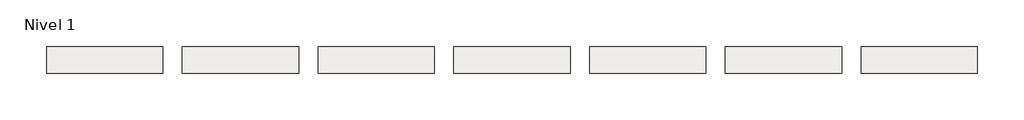
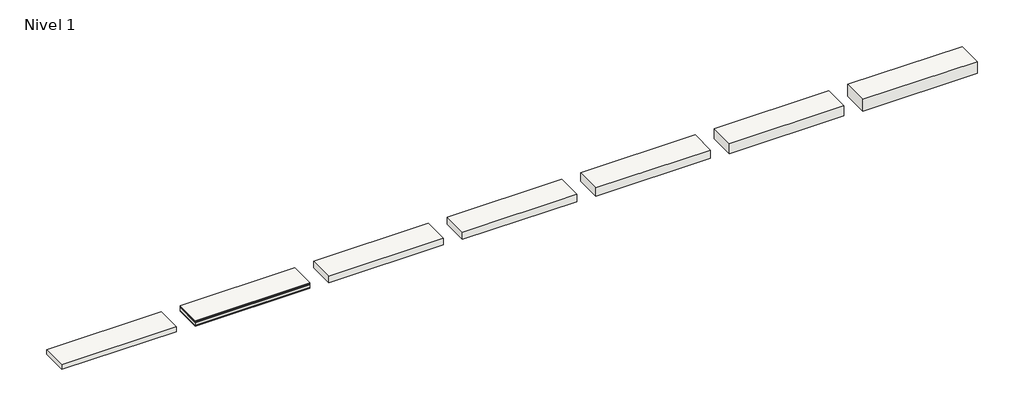
# One storey: 7 slabs.
"""IFC4 building model written with IfcOpenShell, lengths in millimetres."""

from ifc_helpers import new_model, si_unit, frame, origin, place, context, project, spatial, polyline, outline, extrude, element, save

model = new_model("IFC4")

# Units and contexts
model_context = context("Model", 3, world=origin())
ifc_project = project(units=[si_unit("LENGTHUNIT", "METRE", prefix="MILLI")], contexts=[model_context])

# Site, building, storey
site = spatial("IfcSite", under=ifc_project)
building = spatial("IfcBuilding", under=site)
storey = spatial("IfcBuildingStorey", under=building, Name="Nivel 1", Elevation=0.0)

# Slabs
placement = place(None, origin())
element("IfcSlab", 1, at=placement, inside=storey, context=model_context, shape_type="SweptSolid", body=[
    extrude(outline(polyline([(1184.4345966, -2901.6608764), (1184.4345966, -3451.6608764), (-1215.5654034, -3451.6608764), (-1215.5654034, -2901.6608764), (1184.4345966, -2901.6608764)])), frame((0.0, 0.0, -20.0), z_axis=(0.0, 0.0, 1.0), x_axis=(1.0, 0.0, 0.0)), (0.0, 0.0, 1.0), 20.0),
    extrude(outline(polyline([(1184.4345966, -2901.6608764), (1184.4345966, -3451.6608764), (-1215.5654034, -3451.6608764), (-1215.5654034, -2901.6608764), (1184.4345966, -2901.6608764)])), frame((0.0, 0.0, -30.0), z_axis=(0.0, 0.0, 1.0), x_axis=(1.0, 0.0, 0.0)), (0.0, 0.0, 1.0), 10.0),
    extrude(outline(polyline([(1184.4345966, -2901.6608764), (1184.4345966, -3451.6608764), (-1215.5654034, -3451.6608764), (-1215.5654034, -2901.6608764), (1184.4345966, -2901.6608764)])), frame((0.0, 0.0, -42.5), z_axis=(0.0, 0.0, 1.0), x_axis=(1.0, 0.0, 0.0)), (0.0, 0.0, 1.0), 12.5),
    extrude(outline(polyline([(1184.4345966, -2901.6608764), (1184.4345966, -3451.6608764), (-1215.5654034, -3451.6608764), (-1215.5654034, -2901.6608764), (1184.4345966, -2901.6608764)])), frame((0.0, 0.0, -102.5), z_axis=(0.0, 0.0, 1.0), x_axis=(1.0, 0.0, 0.0)), (0.0, 0.0, 1.0), 60.0),
    extrude(outline(polyline([(1184.4345966, -2901.6608764), (1184.4345966, -3451.6608764), (-1215.5654034, -3451.6608764), (-1215.5654034, -2901.6608764), (1184.4345966, -2901.6608764)])), frame((0.0, 0.0, -121.5), z_axis=(0.0, 0.0, 1.0), x_axis=(1.0, 0.0, 0.0)), (0.0, 0.0, 1.0), 19.0),
])
element("IfcSlab", 2, at=placement, inside=storey, context=model_context, shape_type="SweptSolid", body=[
    extrude(outline(polyline([(-1615.5654034, -2901.6608764), (-1615.5654034, -3451.6608764), (-4015.5654034, -3451.6608764), (-4015.5654034, -2901.6608764), (-1615.5654034, -2901.6608764)])), frame((0.0, 0.0, -101.5), z_axis=(0.0, 0.0, 1.0), x_axis=(1.0, 0.0, 0.0)), (0.0, 0.0, 1.0), 101.5),
])
element("IfcSlab", 3, at=placement, inside=storey, context=model_context, shape_type="SweptSolid", body=[
    extrude(outline(polyline([(3984.4345966, -2901.6608764), (3984.4345966, -3451.6608764), (1584.4345966, -3451.6608764), (1584.4345966, -2901.6608764), (3984.4345966, -2901.6608764)])), frame((0.0, 0.0, -141.5), z_axis=(0.0, 0.0, 1.0), x_axis=(1.0, 0.0, 0.0)), (0.0, 0.0, 1.0), 141.5),
])
element("IfcSlab", 4, at=placement, inside=storey, context=model_context, shape_type="SweptSolid", body=[
    extrude(outline(polyline([(6784.4345966, -2901.6608764), (6784.4345966, -3451.6608764), (4384.4345966, -3451.6608764), (4384.4345966, -2901.6608764), (6784.4345966, -2901.6608764)])), frame((0.0, 0.0, -161.5), z_axis=(0.0, 0.0, 1.0), x_axis=(1.0, 0.0, 0.0)), (0.0, 0.0, 1.0), 161.5),
])
element("IfcSlab", 5, at=placement, inside=storey, context=model_context, shape_type="SweptSolid", body=[
    extrude(outline(polyline([(9584.4345966, -2901.6608764), (9584.4345966, -3451.6608764), (7184.4345966, -3451.6608764), (7184.4345966, -2901.6608764), (9584.4345966, -2901.6608764)])), frame((0.0, 0.0, -181.5), z_axis=(0.0, 0.0, 1.0), x_axis=(1.0, 0.0, 0.0)), (0.0, 0.0, 1.0), 181.5),
])
element("IfcSlab", 6, at=placement, inside=storey, context=model_context, shape_type="SweptSolid", body=[
    extrude(outline(polyline([(12384.4345966, -2901.6608764), (12384.4345966, -3451.6608764), (9984.4345966, -3451.6608764), (9984.4345966, -2901.6608764), (12384.4345966, -2901.6608764)])), frame((0.0, 0.0, -221.5), z_axis=(0.0, 0.0, 1.0), x_axis=(1.0, 0.0, 0.0)), (0.0, 0.0, 1.0), 221.5),
])
element("IfcSlab", 7, at=placement, inside=storey, context=model_context, shape_type="SweptSolid", body=[
    extrude(outline(polyline([(15184.4345966, -2901.6608764), (15184.4345966, -3451.6608764), (12784.4345966, -3451.6608764), (12784.4345966, -2901.6608764), (15184.4345966, -2901.6608764)])), frame((0.0, 0.0, -261.5), z_axis=(0.0, 0.0, 1.0), x_axis=(1.0, 0.0, 0.0)), (0.0, 0.0, 1.0), 261.5),
])

save(model, "model.ifc")
